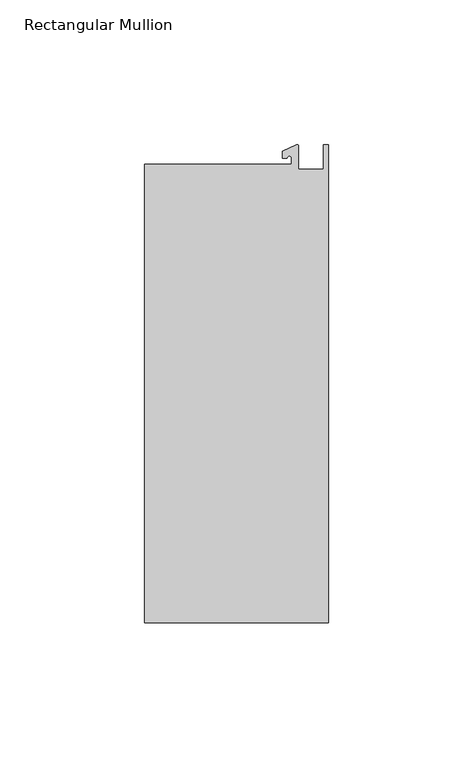
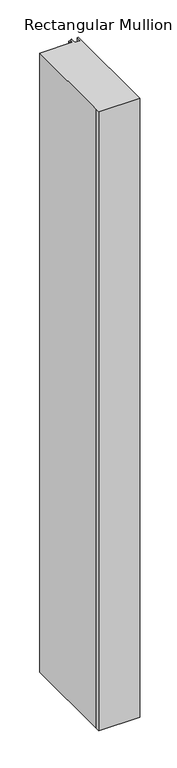
"""IFC4 building model written with IfcOpenShell, lengths in millimetres: member geometry, Rectangular Mullion."""

from ifc_helpers import new_model, si_unit, point, frame, frame_2d, origin, place, context, project, spatial, polyline, circle_curve, trimmed, segment, composite_curve, outline, extrude, source, transform, mapped, element, save


def rectangular_mullion_4286c509(model_context):
    return source(origin(), model_context, "Body", "SweptSolid", [
        extrude(outline(composite_curve([segment(polyline([(-12.6173814, 25.5984375), (-12.6173814, 27.6780632)]), True, "CONTINUOUS"), segment(trimmed(circle_curve(frame_2d((-13.4111314, 27.6780632)), 0.79375), [point((-12.6173814, 27.6780632))], [point((-14.2048814, 27.6780632))], True, "CARTESIAN"), True, "CONTINUOUS"), segment(polyline([(-14.2048814, 27.6780632), (-15.7923814, 27.6780632), (-15.7923814, 30.0402625), (-10.9524715, 32.2971496)]), True, "CONTINUOUS"), segment(trimmed(circle_curve(frame_2d((-10.7377814, 31.8367452)), 0.508), [point((-10.9524715, 32.2971496))], [point((-10.2297814, 31.8367452))], False, "CARTESIAN"), True, "CONTINUOUS"), segment(polyline([(-10.2297814, 31.8367452), (-10.2297814, 23.9227662), (-1.7144124, 23.9227662), (-1.5658966, 32.288874), (0.0, 32.288874), (0.0, -132.822512), (-63.5, -132.822512), (-63.5, -125.075512), (-63.5, 25.5984375), (-12.6173814, 25.5984375)]), True, "CONTINUOUS")], self_intersect=False)), frame((0.0, 0.0, -1016.0), z_axis=(0.0, 0.0, 1.0), x_axis=(1.0, 0.0, 0.0)), (0.0, 0.0, 1.0), 1016.0),
    ])


if __name__ == "__main__":
    model = new_model("IFC4")
    model_context = context("Model", 3, world=origin())
    ifc_project = project(units=[si_unit("LENGTHUNIT", "METRE", prefix="MILLI")], contexts=[model_context])
    site = spatial("IfcSite", under=ifc_project)
    building = spatial("IfcBuilding", under=site)
    placement = place(None, origin())
    rectangular_mullion_shape = rectangular_mullion_4286c509(model_context)
    element("IfcMember", 1, ObjectType="Rectangular Mullion", at=placement, inside=building, context=model_context, shape_type="MappedRepresentation", body=[
        mapped(rectangular_mullion_shape, transform((0.0, 0.0, 0.0), x_axis=(1.0, 0.0, 0.0), y_axis=(0.0, 1.0, 0.0), z_axis=(0.0, 0.0, 1.0))),
    ])
    save(model, "model.ifc")
